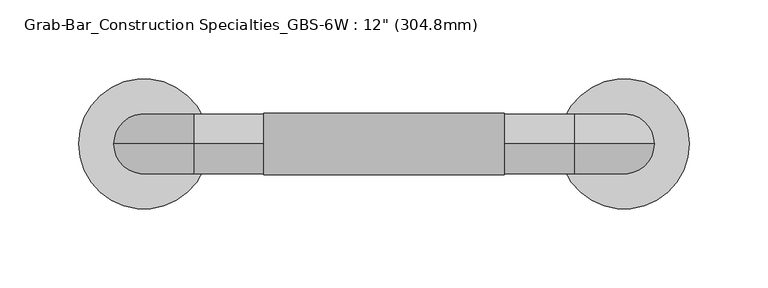
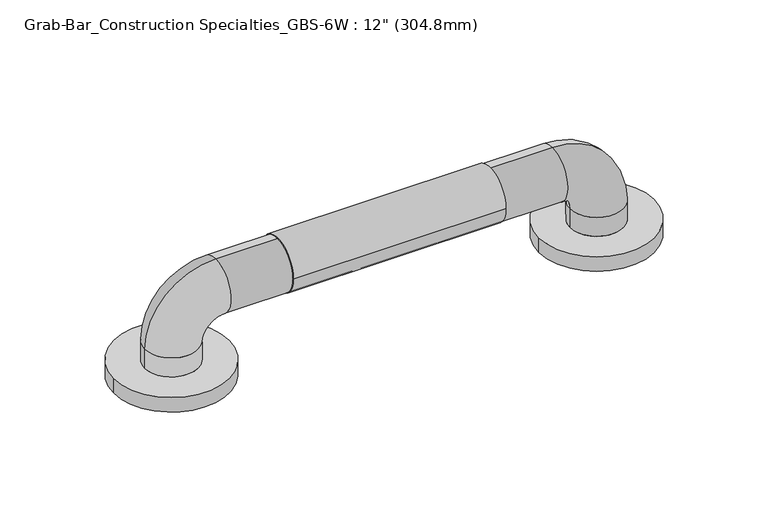
"""IFC4 building model written with IfcOpenShell, lengths in millimetres: proxy geometry."""

from ifc_helpers import new_model, si_unit, point, frame, frame_2d, origin, origin_with_axes, place, context, project, spatial, circle_curve, ellipse_curve, trimmed, segment, composite_curve, outline, extrude, source, transform, mapped, element, save
from ifc_brep_helpers import plane_surface, cylinder_surface, revolved_surface, advanced_brep


def proxy_070863f4(model_context):
    return source(origin(), model_context, "Body", "SolidModel", [
        extrude(outline(composite_curve([segment(trimmed(circle_curve(frame_2d((0.0005302, 57.1682565)), 19.4479458), [point((-19.4474155, 57.1682565))], [point((19.448476, 57.1682565))], False, "CARTESIAN"), True, "CONTINUOUS"), segment(trimmed(circle_curve(frame_2d((0.0005302, 57.1682565)), 19.4479458), [point((19.448476, 57.1682565))], [point((-19.4474155, 57.1682565))], False, "CARTESIAN"), True, "CONTINUOUS")], self_intersect=False)), frame((76.2, 0.0, 0.0), z_axis=(1.0, 0.0, 0.0), x_axis=(0.0, 1.0, 0.0)), (0.0, 0.0, 1.0), 152.4),
        advanced_brep(
        [(-41.3010856, 0.0, 0.0), (41.3010856, 0.0, 0.0), (263.4989144, 0.0, 0.0), (346.1010856, 0.0, 0.0), (19.05, 0.0, 25.4), (-19.05, 0.0, 25.4), (-19.05, 0.0, 11.1125), (19.05, 0.0, 11.1125), (31.75, 0.0, 38.1), (31.75, 0.0, 76.2), (273.05, 0.0, 38.1), (273.05, 0.0, 76.2), (285.75, 0.0, 25.4), (323.85, 0.0, 25.4), (285.75, 0.0, 11.1125), (323.85, 0.0, 11.1125), (-41.3010856, 0.0, 11.1125), (41.3010856, 0.0, 11.1125), (263.4989144, 0.0, 11.1125), (346.1010856, 0.0, 11.1125)],
        [
            (0, 1, circle_curve(frame((0.0, 0.0, 0.0), z_axis=(0.0, 0.0, -1.0), x_axis=(1.0, 0.0, 0.0)), 41.3010856)),
            (1, 0, circle_curve(frame((0.0, 0.0, 0.0), z_axis=(0.0, 0.0, -1.0), x_axis=(1.0, 0.0, 0.0)), 41.3010856)),
            (2, 3, circle_curve(frame((304.8, 0.0, 0.0), z_axis=(0.0, 0.0, -1.0), x_axis=(1.0, 0.0, 0.0)), 41.3010856)),
            (3, 2, circle_curve(frame((304.8, 0.0, 0.0), z_axis=(0.0, 0.0, -1.0), x_axis=(1.0, 0.0, 0.0)), 41.3010856)),
            (4, 5, circle_curve(frame((0.0, 0.0, 25.4), z_axis=(0.0, 0.0, -1.0), x_axis=(-1.0, 0.0, 0.0)), 19.05)),
            (5, 6),
            (6, 7, circle_curve(frame((0.0, 0.0, 11.1125), z_axis=(0.0, 0.0, 1.0), x_axis=(-1.0, 0.0, 0.0)), 19.05)),
            (7, 4),
            (5, 4, circle_curve(frame((0.0, 0.0, 25.4), z_axis=(0.0, 0.0, -1.0), x_axis=(-1.0, 0.0, 0.0)), 19.05)),
            (7, 6, circle_curve(frame((0.0, 0.0, 11.1125), z_axis=(0.0, 0.0, 1.0), x_axis=(-1.0, 0.0, 0.0)), 19.05)),
            (4, 8, circle_curve(frame((31.75, 0.0, 25.4), z_axis=(0.0, 1.0, 0.0), x_axis=(-1.0, 0.0, 0.0)), 12.7)),
            (8, 9, circle_curve(frame((31.75, 0.0, 57.15), z_axis=(-1.0, 0.0, 0.0), x_axis=(0.0, 0.0, 1.0)), 19.05)),
            (9, 5, circle_curve(frame((31.75, 0.0, 25.4), z_axis=(0.0, -1.0, 0.0), x_axis=(-1.0, 0.0, 0.0)), 50.8)),
            (9, 8, circle_curve(frame((31.75, 0.0, 57.15), z_axis=(-1.0, 0.0, 0.0), x_axis=(0.0, 0.0, 1.0)), 19.05)),
            (8, 10),
            (10, 11, circle_curve(frame((273.05, 0.0, 57.15), z_axis=(-1.0, 0.0, 0.0), x_axis=(0.0, 0.0, 1.0)), 19.05)),
            (11, 9),
            (11, 10, circle_curve(frame((273.05, 0.0, 57.15), z_axis=(-1.0, 0.0, 0.0), x_axis=(0.0, 0.0, 1.0)), 19.05)),
            (10, 12, circle_curve(frame((273.05, 0.0, 25.4), z_axis=(0.0, 1.0, 0.0), x_axis=(0.0, 0.0, 1.0)), 12.7)),
            (12, 13, circle_curve(frame((304.8, 0.0, 25.4), z_axis=(0.0, 0.0, 1.0), x_axis=(1.0, 0.0, 0.0)), 19.05)),
            (13, 11, circle_curve(frame((273.05, 0.0, 25.4), z_axis=(0.0, -1.0, 0.0), x_axis=(0.0, 0.0, 1.0)), 50.8)),
            (13, 12, circle_curve(frame((304.8, 0.0, 25.4), z_axis=(0.0, 0.0, 1.0), x_axis=(1.0, 0.0, 0.0)), 19.05)),
            (12, 14),
            (14, 15, circle_curve(frame((304.8, 0.0, 11.1125), z_axis=(0.0, 0.0, 1.0), x_axis=(1.0, 0.0, 0.0)), 19.05)),
            (15, 13),
            (15, 14, circle_curve(frame((304.8, 0.0, 11.1125), z_axis=(0.0, 0.0, 1.0), x_axis=(1.0, 0.0, 0.0)), 19.05)),
            (16, 17, circle_curve(frame((0.0, 0.0, 11.1125), z_axis=(0.0, 0.0, 1.0), x_axis=(1.0, 0.0, 0.0)), 41.3010856)),
            (17, 16, circle_curve(frame((0.0, 0.0, 11.1125), z_axis=(0.0, 0.0, 1.0), x_axis=(1.0, 0.0, 0.0)), 41.3010856)),
            (18, 19, circle_curve(frame((304.8, 0.0, 11.1125), z_axis=(0.0, 0.0, 1.0), x_axis=(1.0, 0.0, 0.0)), 41.3010856)),
            (19, 18, circle_curve(frame((304.8, 0.0, 11.1125), z_axis=(0.0, 0.0, 1.0), x_axis=(1.0, 0.0, 0.0)), 41.3010856)),
            (16, 0),
            (1, 17),
            (18, 2),
            (3, 19),
        ],
        [
            plane_surface(frame((0.0, 0.0, 0.0), z_axis=(0.0, 0.0, -1.0), x_axis=(0.0, -1.0, 0.0))),
            cylinder_surface(frame((0.0, 0.0, 0.0), z_axis=(0.0, 0.0, -1.0), x_axis=(-1.0, 0.0, 0.0)), 19.05),
            revolved_surface(trimmed(ellipse_curve(frame((0.0, 0.0, 25.4), z_axis=(0.0, 0.0, -1.0), x_axis=(-1.0, 0.0, 0.0)), 19.05, 19.05), [point((19.05, 0.0, 25.4))], [point((-19.05, 0.0, 25.4))], True, "CARTESIAN"), (31.75, 0.0, 25.4), (0.0, 1.0, 0.0)),
            revolved_surface(trimmed(ellipse_curve(frame((0.0, 0.0, 25.4), z_axis=(0.0, 0.0, -1.0), x_axis=(-1.0, 0.0, 0.0)), 19.05, 19.05), [point((-19.05, 0.0, 25.4))], [point((19.05, 0.0, 25.4))], True, "CARTESIAN"), (31.75, 0.0, 25.4), (0.0, 1.0, 0.0)),
            cylinder_surface(frame((31.75, 0.0, 57.15), z_axis=(-1.0, 0.0, 0.0), x_axis=(0.0, 0.0, 1.0)), 19.05),
            revolved_surface(trimmed(ellipse_curve(frame((273.05, 0.0, 57.15), z_axis=(-1.0, 0.0, 0.0), x_axis=(0.0, 0.0, 1.0)), 19.05, 19.05), [point((273.05, 0.0, 38.1))], [point((273.05, 0.0, 76.2))], True, "CARTESIAN"), (273.05, 0.0, 25.4), (0.0, 1.0, 0.0)),
            revolved_surface(trimmed(ellipse_curve(frame((273.05, 0.0, 57.15), z_axis=(-1.0, 0.0, 0.0), x_axis=(0.0, 0.0, 1.0)), 19.05, 19.05), [point((273.05, 0.0, 76.2))], [point((273.05, 0.0, 38.1))], True, "CARTESIAN"), (273.05, 0.0, 25.4), (0.0, 1.0, 0.0)),
            cylinder_surface(frame((304.8, 0.0, 25.4), z_axis=(0.0, 0.0, 1.0), x_axis=(1.0, 0.0, 0.0)), 19.05),
            plane_surface(frame((41.3010856, 0.0, 11.1125), z_axis=(0.0, 0.0, 1.0), x_axis=(0.0, 1.0, 0.0))),
            cylinder_surface(origin_with_axes(), 41.3010856),
            cylinder_surface(frame((304.8, 0.0, 0.0), z_axis=(0.0, 0.0, 1.0), x_axis=(1.0, 0.0, 0.0)), 41.3010856),
        ],
        [
            (0, [[1, 2]]),
            (0, [[3, 4]]),
            (1, [[5, 6, 7, 8]]),
            (1, [[9, -8, 10, -6]]),
            (2, [[-5, 11, 12, 13]]),
            (3, [[-9, -13, 14, -11]]),
            (4, [[-12, 15, 16, 17]]),
            (4, [[-14, -17, 18, -15]]),
            (5, [[-16, 19, 20, 21]]),
            (6, [[-18, -21, 22, -19]]),
            (7, [[-20, 23, 24, 25]]),
            (7, [[-22, -25, 26, -23]]),
            (8, [[27, 28], [-7, -10]]),
            (8, [[29, 30], [-24, -26]]),
            (9, [[-27, 31, -2, 32]]),
            (9, [[-28, -32, -1, -31]]),
            (10, [[-29, 33, -4, 34]]),
            (10, [[-30, -34, -3, -33]]),
        ],
    ),
    ])


if __name__ == "__main__":
    model = new_model("IFC4")
    model_context = context("Model", 3, world=origin())
    ifc_project = project(units=[si_unit("LENGTHUNIT", "METRE", prefix="MILLI")], contexts=[model_context])
    site = spatial("IfcSite", under=ifc_project)
    building = spatial("IfcBuilding", under=site)
    placement = place(None, origin())
    proxy_shape = proxy_070863f4(model_context)
    element("IfcBuildingElementProxy", 1, Name="Grab-Bar_Construction Specialties_GBS-6W : 12\" (304.8mm)", ObjectType="Grab-Bar_Construction Specialties_GBS-6W : 12\" (304.8mm)", at=placement, inside=building, context=model_context, shape_type="MappedRepresentation", body=[
        mapped(proxy_shape, transform((0.0, 0.0, 0.0), x_axis=(1.0, 0.0, 0.0), y_axis=(0.0, 1.0, 0.0), z_axis=(0.0, 0.0, 1.0))),
    ])
    save(model, "model.ifc")
